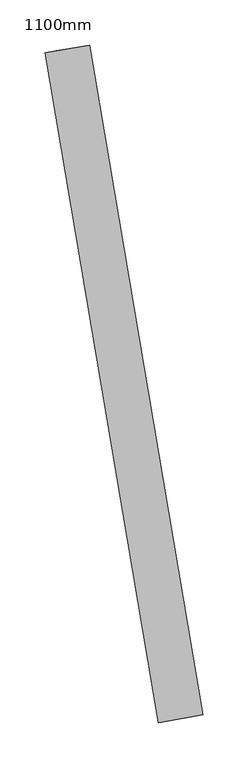
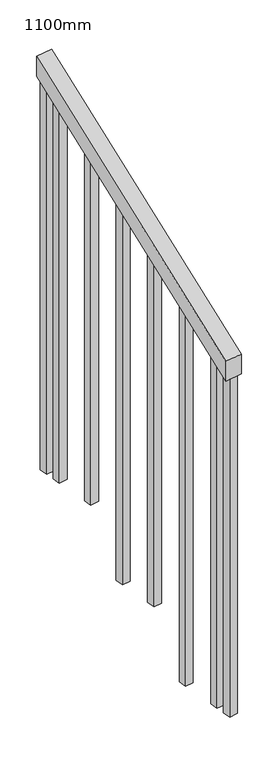
"""IFC4 building model written with IfcOpenShell, lengths in millimetres: railing geometry, 1100mm."""

from ifc_helpers import new_model, si_unit, frame, origin, place, context, project, spatial, polyline, outline, extrude, source, transform, mapped, element, save


def railing_1100mm_b00907d1(model_context):
    return source(origin(), model_context, "Body", "SweptSolid", [
        extrude(outline(polyline([(-35.5555555, -50.0), (0.0, 0.0), (920.2958461, 0.0), (884.7402905, -50.0), (-35.5555555, -50.0)])), frame((20164.4321872, -150781.4982382, 1277.7777778), z_axis=(0.9859906279333608, 0.1668007243017154, 0.0), x_axis=(-0.13593513841160623, 0.8035383122091727, 0.5795237863600179)), (0.0, 0.0, 1.0), 50.0),
        extrude(outline(polyline([(108.8888889, 0.0), (91.1111112, 25.0), (1271.980277, 25.0), (1271.980277, 0.0), (108.8888889, 0.0)])), frame((20064.1665811, -150113.8695553, 1805.3136103), z_axis=(0.9859906279333609, 0.16680072430171541, 0.0), x_axis=(0.0, 0.0, -1.0)), (0.0, 0.0, 1.0), 25.0),
        extrude(outline(polyline([(108.8888889, 0.0), (91.1111111, 25.0), (1183.0913881, 25.0), (1183.0913881, 0.0), (108.8888889, 0.0)])), frame((20085.0166717, -150237.1183838, 1716.4247214), z_axis=(0.9859906279333609, 0.16680072430171541, 0.0), x_axis=(0.0, 0.0, -1.0)), (0.0, 0.0, 1.0), 25.0),
        extrude(outline(polyline([(108.8888889, 0.0), (91.1111111, 25.0), (1271.9802769, 25.0), (1271.9802769, 0.0), (108.8888889, 0.0)])), frame((20105.8667622, -150360.3672123, 1627.5358325), z_axis=(0.9859906279333609, 0.16680072430171541, 0.0), x_axis=(0.0, 0.0, -1.0)), (0.0, 0.0, 1.0), 25.0),
        extrude(outline(polyline([(108.8888889, 0.0), (91.1111111, 25.0), (1183.091388, 25.0), (1183.091388, 0.0), (108.8888889, 0.0)])), frame((20126.7168528, -150483.6160408, 1538.6469436), z_axis=(0.9859906279333609, 0.16680072430171541, 0.0), x_axis=(0.0, 0.0, -1.0)), (0.0, 0.0, 1.0), 25.0),
        extrude(outline(polyline([(108.8888889, 0.0), (91.1111111, 25.0), (1271.9802769, 25.0), (1271.9802769, 0.0), (108.8888889, 0.0)])), frame((20147.5669433, -150606.8648693, 1449.7580547), z_axis=(0.9859906279333609, 0.16680072430171541, 0.0), x_axis=(0.0, 0.0, -1.0)), (0.0, 0.0, 1.0), 25.0),
        extrude(outline(polyline([(108.8888889, 0.0), (91.1111111, 25.0), (1183.091388, 25.0), (1183.091388, 0.0), (108.8888889, 0.0)])), frame((20168.4170338, -150730.1136978, 1360.8691658), z_axis=(0.9859906279333609, 0.16680072430171541, 0.0), x_axis=(0.0, 0.0, -1.0)), (0.0, 0.0, 1.0), 25.0),
        extrude(outline(polyline([(108.8888889, 0.0), (91.1111111, 25.0), (1307.5358325, 25.0), (1307.5358325, 0.0), (108.8888889, 0.0)])), frame((20055.8265449, -150064.5700239, 1840.8691658), z_axis=(0.9859906279333609, 0.16680072430171541, 0.0), x_axis=(0.0, 0.0, -1.0)), (0.0, 0.0, 1.0), 25.0),
        extrude(outline(polyline([(108.8888889, 0.0), (91.1111112, 25.0), (1147.5358325, 25.0), (1147.5358325, 0.0), (108.8888889, 0.0)])), frame((20176.75707, -150779.4132292, 1325.3136103), z_axis=(0.9859906279333609, 0.16680072430171541, 0.0), x_axis=(0.0, 0.0, -1.0)), (0.0, 0.0, 1.0), 25.0),
    ])


if __name__ == "__main__":
    model = new_model("IFC4")
    model_context = context("Model", 3, world=origin())
    ifc_project = project(units=[si_unit("LENGTHUNIT", "METRE", prefix="MILLI")], contexts=[model_context])
    site = spatial("IfcSite", under=ifc_project)
    building = spatial("IfcBuilding", under=site)
    placement = place(None, origin())
    railing_1100mm_shape = railing_1100mm_b00907d1(model_context)
    element("IfcRailing", 1, ObjectType="1100mm", at=placement, inside=building, context=model_context, shape_type="MappedRepresentation", body=[
        mapped(railing_1100mm_shape, transform((0.0, 0.0, 0.0), x_axis=(1.0, 0.0, 0.0), y_axis=(0.0, 1.0, 0.0), z_axis=(0.0, 0.0, 1.0))),
    ])
    save(model, "model.ifc")
